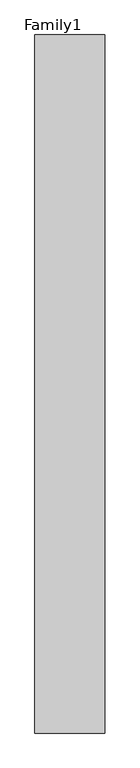
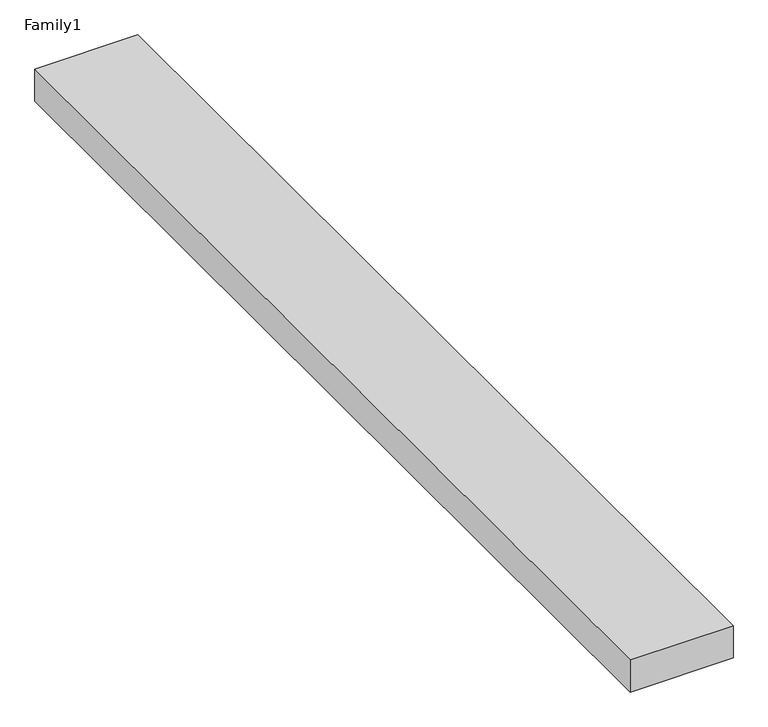
"""IFC4 building model written with IfcOpenShell, lengths in millimetres: proxy geometry, Family1."""

from ifc_helpers import new_model, si_unit, origin, origin_with_axes, place, context, project, spatial, polyline, outline, extrude, source, transform, mapped, element, save


def family1_91fff5b4(model_context):
    return source(origin(), model_context, "Body", "SweptSolid", [
        extrude(outline(polyline([(5000.0, 0.0), (0.0, 0.0), (0.0, 50000.0), (5000.0, 50000.0), (5000.0, 0.0)])), origin_with_axes(), (0.0, 0.0, 1.0), 1655.0),
    ])


if __name__ == "__main__":
    model = new_model("IFC4")
    model_context = context("Model", 3, world=origin())
    ifc_project = project(units=[si_unit("LENGTHUNIT", "METRE", prefix="MILLI")], contexts=[model_context])
    site = spatial("IfcSite", under=ifc_project)
    building = spatial("IfcBuilding", under=site)
    placement = place(None, origin())
    family1_shape = family1_91fff5b4(model_context)
    element("IfcBuildingElementProxy", 1, Name="Family1", ObjectType="Family1", at=placement, inside=building, context=model_context, shape_type="MappedRepresentation", body=[
        mapped(family1_shape, transform((0.0, 0.0, 0.0), x_axis=(1.0, 0.0, 0.0), y_axis=(0.0, 1.0, 0.0), z_axis=(0.0, 0.0, 1.0))),
    ])
    save(model, "model.ifc")
